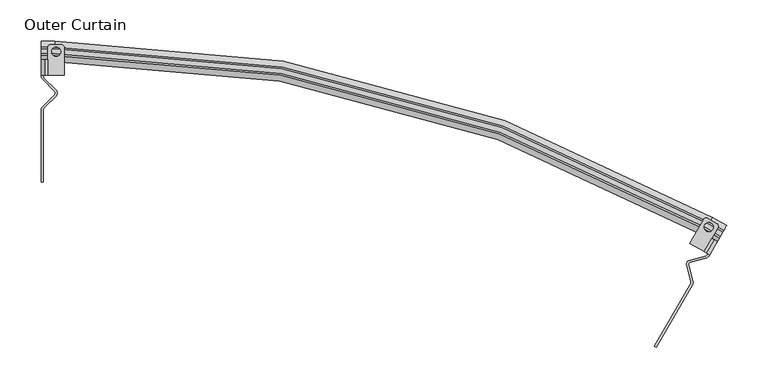
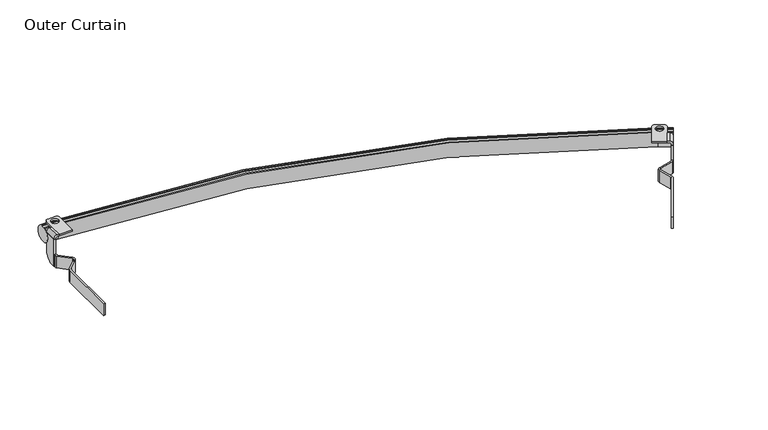
"""IFC4 building model written with IfcOpenShell, lengths in millimetres: furniture geometry, Outer Curtain."""

from ifc_helpers import new_model, si_unit, point, frame, frame_2d, origin, place, context, project, spatial, polyline, circle_curve, ellipse_curve, trimmed, segment, composite_curve, outline, extrude, source, transform, mapped, element, save
from ifc_brep_helpers import plane_surface, cylinder_surface, revolved_surface, advanced_brep


def outer_curtain_65f9b2bc(model_context):
    return source(origin(), model_context, "Body", "SolidModel", [
        extrude(outline(composite_curve([segment(polyline([(340.8986475, 0.0), (340.8986475, -5.5297915)]), True, "CONTINUOUS"), segment(trimmed(circle_curve(frame_2d((327.6985931, -5.5297915)), 13.2000544), [point((340.8986475, -5.5297915))], [point((327.6985931, -18.7298459))], False, "CARTESIAN"), True, "CONTINUOUS"), segment(polyline([(327.6985931, -18.7298459), (314.449003, -18.7298459)]), True, "CONTINUOUS"), segment(trimmed(circle_curve(frame_2d((306.6253516, -28.3883996)), 12.4296895), [point((314.449003, -18.7298459))], [point((298.6840186, -18.8263699))], True, "CARTESIAN"), True, "CONTINUOUS"), segment(polyline([(298.6840186, -18.8263699), (298.6840186, 0.0), (340.8986475, 0.0)]), True, "CONTINUOUS")], self_intersect=False)), frame((808.1824004, 201.2243016, 2438.4), z_axis=(-0.8660254041587455, 0.49999999935168166, 0.0), x_axis=(0.0, 0.0, -1.0)), (0.0, 0.0, 1.0), 2.45),
        extrude(outline(composite_curve([segment(trimmed(circle_curve(frame_2d((780.5221736, 168.2153832)), 5.0), [point((784.8523006, 165.7153832))], [point((785.3486237, 169.5212849))], True, "CARTESIAN"), True, "CONTINUOUS"), segment(polyline([(785.3486237, 169.5212849), (780.2499341, 188.3654079)]), True, "CONTINUOUS"), segment(trimmed(circle_curve(frame_2d((785.0763843, 189.6713096)), 5.0), [point((780.2499341, 188.3654079))], [point((783.7705027, 194.4977651))], False, "CARTESIAN"), True, "CONTINUOUS"), segment(polyline([(783.7705027, 194.4977651), (803.7503841, 199.9036698)]), True, "CONTINUOUS"), segment(trimmed(circle_curve(frame_2d((803.0974433, 202.3168976)), 2.5), [point((803.7503841, 199.9036698))], [point((805.2625069, 201.0668976))], True, "CARTESIAN"), True, "CONTINUOUS"), segment(polyline([(805.2625069, 201.0668976), (806.0606382, 202.4493016), (808.1824004, 201.2243016), (807.3945887, 199.8597717)]), True, "CONTINUOUS"), segment(trimmed(circle_curve(frame_2d((803.0644617, 202.3597717)), 5.0), [point((807.3945887, 199.8597717))], [point((804.3703432, 197.5333161))], False, "CARTESIAN"), True, "CONTINUOUS"), segment(polyline([(804.3703432, 197.5333161), (784.3621199, 192.119743)]), True, "CONTINUOUS"), segment(trimmed(circle_curve(frame_2d((785.0150607, 189.7065152)), 2.5), [point((784.3621199, 192.119743))], [point((782.6018356, 189.0535644))], True, "CARTESIAN"), True, "CONTINUOUS"), segment(polyline([(782.6018356, 189.0535644), (787.9795532, 169.1781885)]), True, "CONTINUOUS"), segment(trimmed(circle_curve(frame_2d((783.1531031, 167.8722868)), 5.0), [point((787.9795532, 169.1781885))], [point((787.4832301, 165.3722868))], False, "CARTESIAN"), True, "CONTINUOUS"), segment(polyline([(787.4832301, 165.3722868), (743.4550059, 89.1131655), (741.3332437, 90.3381655), (784.8523006, 165.7153832)]), True, "CONTINUOUS")], self_intersect=False)), frame((0.0, 0.0, 2097.5013525), z_axis=(0.0, 0.0, 1.0), x_axis=(1.0, 0.0, 0.0)), (0.0, 0.0, 1.0), 18.8933106),
        extrude(outline(composite_curve([segment(polyline([(2.45, 0.0), (2.45, -1.5759522)]), True, "CONTINUOUS"), segment(trimmed(circle_curve(frame_2d((-2.2594196, -1.5759522)), 4.7094196), [point((2.45, -1.5759522))], [point((-2.2594196, -6.2853718))], False, "CARTESIAN"), True, "CONTINUOUS"), segment(polyline([(-2.2594196, -6.2853718), (-5.3457178, -6.2853718), (-5.3457178, -3.8354214), (-2.7023301, -3.8354214)]), True, "CONTINUOUS"), segment(trimmed(circle_curve(frame_2d((-2.7023301, -1.1330913)), 2.7023301), [point((-2.7023301, -3.8354214))], [point((0.0, -1.1330913))], True, "CARTESIAN"), True, "CONTINUOUS"), segment(polyline([(0.0, -1.1330913), (0.0, 0.0), (2.45, 0.0)]), True, "CONTINUOUS")], self_intersect=False)), frame((806.0606382, 202.4493016, 2139.7159814), z_axis=(0.4999999993516811, 0.8660254041587457, 0.0), x_axis=(0.8660254041587457, -0.4999999993516811, 0.0)), (0.0, 0.0, 1.0), 18.7298458),
        extrude(outline(composite_curve([segment(polyline([(801.4311108, 205.1221605), (784.1106027, 215.1221605), (800.7342244, 243.915118)]), True, "CONTINUOUS"), segment(trimmed(circle_curve(frame_2d((803.9842234, 242.0387302)), 3.7527756), [point((800.7342244, 243.915118))], [point((805.8502397, 245.2946951))], False, "CARTESIAN"), True, "CONTINUOUS"), segment(polyline([(805.8502397, 245.2946951), (816.3907074, 239.2091533)]), True, "CONTINUOUS"), segment(trimmed(circle_curve(frame_2d((814.816152, 235.8057322)), 3.75), [point((816.3907074, 239.2091533))], [point((818.0637473, 233.9307322))], False, "CARTESIAN"), True, "CONTINUOUS"), segment(polyline([(818.0637473, 233.9307322), (801.4311108, 205.1221605)]), True, "CONTINUOUS")], self_intersect=False), holes=[composite_curve([segment(trimmed(circle_curve(frame_2d((807.0144732, 234.7928281)), 5.4886758), [point((811.7678059, 232.0484902))], [point((802.2611405, 237.537166))], True, "CARTESIAN"), True, "CONTINUOUS"), segment(trimmed(circle_curve(frame_2d((807.0144732, 234.7928281)), 5.4886758), [point((802.2611405, 237.537166))], [point((811.7678059, 232.0484902))], True, "CARTESIAN"), True, "CONTINUOUS")], self_intersect=False)]), frame((0.0, 0.0, 2143.5514028), z_axis=(0.0, 0.0, 1.0), x_axis=(1.0, 0.0, 0.0)), (0.0, 0.0, 1.0), 2.4499504),
        advanced_brep(
        [(0.0, 442.4224847, 2120.279958), (0.0, 442.4224847, 2143.2693388), (0.0, 444.4967404, 2143.2693388), (0.0, 444.4967404, 2141.8304958), (0.0, 450.509432, 2141.8304958), (0.0, 450.509432, 2143.2693388), (0.0, 452.5106226, 2143.2693388), (0.0, 452.5106226, 2120.279958), (16.273869, 442.4224847, 2120.279958), (16.273869, 442.4224847, 2143.2693388), (802.8348362, 231.6641087, 2143.2693388), (820.0263326, 221.7385937, 2143.2693388), (821.0634604, 223.5349518, 2143.2693388), (803.871964, 233.4604668, 2143.2693388), (16.273869, 444.4967404, 2143.2693388), (16.273869, 444.4967404, 2141.8304958), (803.871964, 233.4604668, 2141.8304958), (821.0634604, 223.5349518, 2141.8304958), (824.0698063, 228.7420955, 2141.8304958), (806.8783099, 238.6676106, 2141.8304958), (16.273869, 450.509432, 2141.8304958), (16.273869, 450.509432, 2143.2693388), (806.8783099, 238.6676106, 2143.2693388), (824.0698063, 228.7420955, 2143.2693388), (825.0704015, 230.4751773, 2143.2693388), (807.8789051, 240.4006924, 2143.2693388), (16.273869, 452.5106226, 2143.2693388), (16.273869, 452.5106226, 2120.279958), (807.8789051, 240.4006924, 2120.279958), (825.0704015, 230.4751773, 2120.279958), (820.0263326, 221.7385937, 2120.279958), (802.8348362, 231.6641087, 2120.279958)],
        [
            (0, 1, circle_curve(frame((0.0, 447.9278494, 2131.7746484), z_axis=(-1.0, 0.0, 0.0), x_axis=(0.0, -1.0, 0.0)), 12.7450754)),
            (1, 2),
            (2, 3),
            (3, 4),
            (4, 5),
            (5, 6),
            (6, 7, circle_curve(frame((0.0, 447.1329645, 2131.7746484), z_axis=(-1.0, 0.0, 0.0), x_axis=(0.0, -1.0, 0.0)), 12.6904339)),
            (7, 0),
            (0, 8),
            (8, 9, circle_curve(frame((16.273869, 447.9278494, 2131.7746484), z_axis=(-1.0, 0.0, 0.0), x_axis=(0.0, -1.0, 0.0)), 12.7450754)),
            (9, 1),
            (9, 10, circle_curve(frame((16.273869, -1130.6994497, 2143.2693388), z_axis=(0.0, 0.0, -1.0), x_axis=(0.0, 1.0, 0.0)), 1573.1219344)),
            (10, 11),
            (11, 12),
            (12, 13),
            (13, 14, circle_curve(frame((16.273869, -1130.6994497, 2143.2693388), z_axis=(0.0, 0.0, 1.0), x_axis=(0.0, 1.0, 0.0)), 1575.1961901)),
            (14, 2),
            (14, 15),
            (15, 3),
            (15, 16, circle_curve(frame((16.273869, -1130.6994497, 2141.8304958), z_axis=(0.0, 0.0, -1.0), x_axis=(0.0, 1.0, 0.0)), 1575.1961901)),
            (16, 17),
            (17, 18),
            (18, 19),
            (19, 20, circle_curve(frame((16.273869, -1130.6994497, 2141.8304958), z_axis=(0.0, 0.0, 1.0), x_axis=(0.0, 1.0, 0.0)), 1581.2088818)),
            (20, 4),
            (20, 21),
            (21, 5),
            (21, 22, circle_curve(frame((16.273869, -1130.6994497, 2143.2693388), z_axis=(0.0, 0.0, -1.0), x_axis=(0.0, 1.0, 0.0)), 1581.2088818)),
            (22, 23),
            (23, 24),
            (24, 25),
            (25, 26, circle_curve(frame((16.273869, -1130.6994497, 2143.2693388), z_axis=(0.0, 0.0, 1.0), x_axis=(0.0, 1.0, 0.0)), 1583.2100723)),
            (26, 6),
            (26, 27, circle_curve(frame((16.273869, 447.1329645, 2131.7746484), z_axis=(-1.0, 0.0, 0.0), x_axis=(0.0, -1.0, 0.0)), 12.6904339)),
            (27, 7),
            (27, 28, circle_curve(frame((16.273869, -1130.6994497, 2120.279958), z_axis=(0.0, 0.0, -1.0), x_axis=(0.0, 1.0, 0.0)), 1583.2100723)),
            (28, 29),
            (29, 30),
            (30, 31),
            (31, 8, circle_curve(frame((16.273869, -1130.6994497, 2120.279958), z_axis=(0.0, 0.0, 1.0), x_axis=(0.0, 1.0, 0.0)), 1573.1219344)),
            (31, 10, circle_curve(frame((805.5875185, 236.4318944, 2131.7746484), z_axis=(-0.8660254037844397, 0.4999999999999981, 0.0), x_axis=(-0.4999999999999981, -0.8660254037844397, 0.0)), 12.7450754)),
            (13, 16),
            (19, 22),
            (25, 28, circle_curve(frame((805.1900761, 235.7435039, 2131.7746484), z_axis=(-0.8660254037844397, 0.4999999999999981, 0.0), x_axis=(-0.4999999999999981, -0.8660254037844397, 0.0)), 12.6904339)),
            (29, 24, circle_curve(frame((822.3815725, 225.8179888, 2131.7746484), z_axis=(0.8660254037844363, -0.5000000000000042, 0.0), x_axis=(-0.5000000000000042, -0.8660254037844363, 0.0)), 12.6904339)),
            (23, 18),
            (17, 12),
            (11, 30, circle_curve(frame((822.7790149, 226.5063793, 2131.7746484), z_axis=(0.8660254037844363, -0.5000000000000042, 0.0), x_axis=(-0.5000000000000042, -0.8660254037844363, 0.0)), 12.7450754)),
        ],
        [
            plane_surface(frame((0.0, 447.5030862, 0.0), z_axis=(-1.0, 0.0, 0.0), x_axis=(0.0, 0.0, 1.0))),
            cylinder_surface(frame((0.0, 447.9278494, 2131.7746484), z_axis=(-1.0, 0.0, 0.0), x_axis=(0.0, -1.0, 0.0)), 12.7450754),
            plane_surface(frame((0.0, 442.4224847, 2143.2693388), z_axis=(0.0, 0.0, 1.0), x_axis=(1.0, 0.0, 0.0))),
            plane_surface(frame((0.0, 444.4967404, 2143.2693388), z_axis=(0.0, 1.0, 0.0), x_axis=(1.0, 0.0, 0.0))),
            plane_surface(frame((0.0, 444.4967404, 2141.8304958), z_axis=(0.0, 0.0, 1.0), x_axis=(1.0, 0.0, 0.0))),
            plane_surface(frame((0.0, 450.509432, 2141.8304958), z_axis=(0.0, -1.0, 0.0), x_axis=(1.0, 0.0, 0.0))),
            plane_surface(frame((0.0, 450.509432, 2143.2693388), z_axis=(0.0, 0.0, 1.0), x_axis=(1.0, 0.0, 0.0))),
            cylinder_surface(frame((0.0, 447.1329645, 2131.7746484), z_axis=(-1.0, 0.0, 0.0), x_axis=(0.0, -1.0, 0.0)), 12.6904339),
            plane_surface(frame((0.0, 452.5106226, 2120.279958), z_axis=(0.0, 0.0, -1.0), x_axis=(1.0, 0.0, 0.0))),
            revolved_surface(trimmed(ellipse_curve(frame((16.273869, 447.9278494, 2131.7746484), z_axis=(-1.0, 0.0, 0.0), x_axis=(0.0, -1.0, 0.0)), 12.7450754, 12.7450754), [point((16.273869, 442.4224847, 2120.279958))], [point((16.273869, 442.4224847, 2143.2693388))], True, "CARTESIAN"), (16.273869, -1130.6994497, 0.0), (0.0, 0.0, -1.0)),
            cylinder_surface(frame((16.273869, -1130.6994497, 0.0), z_axis=(0.0, 0.0, -1.0), x_axis=(0.0, 1.0, 0.0)), 1575.1961901),
            revolved_surface(polyline([(16.273869, 450.5094320999999, 2141.8304958), (16.273869, 450.5094320999999, 2143.2693388)]), (16.273869, -1130.6994497, 0.0), (0.0, 0.0, -1.0)),
            revolved_surface(trimmed(ellipse_curve(frame((16.273869, 447.1329645, 2131.7746484), z_axis=(-1.0, 0.0, 0.0), x_axis=(0.0, -1.0, 0.0)), 12.6904339, 12.6904339), [point((16.273869, 452.5106226, 2143.2693388))], [point((16.273869, 452.5106226, 2120.279958))], True, "CARTESIAN"), (16.273869, -1130.6994497, 0.0), (0.0, 0.0, -1.0)),
            plane_surface(frame((822.5666333, 226.1385236, 0.0), z_axis=(0.8660254037844365, -0.5000000000000038, 0.0), x_axis=(0.0, 0.0, 1.0))),
            cylinder_surface(frame((805.5875185, 236.4318944, 2131.7746484), z_axis=(-0.8660254037844363, 0.5000000000000042, 0.0), x_axis=(-0.5000000000000042, -0.8660254037844363, 0.0)), 12.7450754),
            plane_surface(frame((803.871964, 233.4604668, 2143.2693388), z_axis=(0.5000000000000122, 0.8660254037844317, 0.0), x_axis=(0.8660254037844317, -0.5000000000000122, 0.0))),
            plane_surface(frame((806.8783099, 238.6676106, 2141.8304958), z_axis=(-0.49999999999999906, -0.8660254037844393, 0.0), x_axis=(0.8660254037844393, -0.49999999999999906, 0.0))),
            cylinder_surface(frame((805.1900761, 235.7435039, 2131.7746484), z_axis=(-0.8660254037844363, 0.5000000000000042, 0.0), x_axis=(-0.5000000000000042, -0.8660254037844363, 0.0)), 12.6904339),
        ],
        [
            (0, [[1, 2, 3, 4, 5, 6, 7, 8]]),
            (1, [[-1, 9, 10, 11]]),
            (2, [[-2, -11, 12, 13, 14, 15, 16, 17]]),
            (3, [[-3, -17, 18, 19]]),
            (4, [[-4, -19, 20, 21, 22, 23, 24, 25]]),
            (5, [[-5, -25, 26, 27]]),
            (6, [[-6, -27, 28, 29, 30, 31, 32, 33]]),
            (7, [[-7, -33, 34, 35]]),
            (8, [[-8, -35, 36, 37, 38, 39, 40, -9]]),
            (9, [[-12, -10, -40, 41]]),
            (10, [[-20, -18, -16, 42]]),
            (11, [[-28, -26, -24, 43]]),
            (12, [[-36, -34, -32, 44]]),
            (13, [[-38, 45, -30, 46, -22, 47, -14, 48]]),
            (14, [[-41, -39, -48, -13]]),
            (15, [[-42, -15, -47, -21]]),
            (16, [[-43, -23, -46, -29]]),
            (17, [[-44, -31, -45, -37]]),
        ],
    ),
        extrude(outline(composite_curve([segment(polyline([(418.7637019, 2097.5013525), (418.7637019, 2139.7159814), (437.5900717, 2139.7159814)]), True, "CONTINUOUS"), segment(trimmed(circle_curve(frame_2d((447.1521014, 2131.7746484)), 12.4296895), [point((437.5900717, 2139.7159814))], [point((437.4935477, 2123.950997))], True, "CARTESIAN"), True, "CONTINUOUS"), segment(polyline([(437.4935477, 2123.950997), (437.4935477, 2110.7014069)]), True, "CONTINUOUS"), segment(trimmed(circle_curve(frame_2d((424.2934933, 2110.7014069)), 13.2000544), [point((437.4935477, 2110.7014069))], [point((424.2934933, 2097.5013525))], False, "CARTESIAN"), True, "CONTINUOUS"), segment(polyline([(424.2934933, 2097.5013525), (418.7637019, 2097.5013525)]), True, "CONTINUOUS")], self_intersect=False)), frame((0.0, 0.0, 0.0), z_axis=(1.0, 0.0, 0.0), x_axis=(0.0, 1.0, 0.0)), (0.0, 0.0, 1.0), 2.45),
        extrude(outline(composite_curve([segment(polyline([(2.45, 376.3470266), (2.45, 289.3089127), (0.0, 289.3089127), (0.0, 377.3653611)]), True, "CONTINUOUS"), segment(trimmed(circle_curve(frame_2d((5.0, 377.3653611)), 5.0), [point((0.0, 377.3653611))], [point((1.4731224, 380.9095302))], False, "CARTESIAN"), True, "CONTINUOUS"), segment(polyline([(1.4731224, 380.9095302), (16.0680504, 395.4332519)]), True, "CONTINUOUS"), segment(trimmed(circle_curve(frame_2d((14.3046116, 397.2053364)), 2.5), [point((16.0680504, 395.4332519))], [point((16.0766888, 398.9687826))], True, "CARTESIAN"), True, "CONTINUOUS"), segment(polyline([(16.0766888, 398.9687826), (1.4558456, 413.661186)]), True, "CONTINUOUS"), segment(trimmed(circle_curve(frame_2d((5.0, 417.1880784)), 5.0), [point((1.4558456, 413.661186))], [point((0.0, 417.1880784))], False, "CARTESIAN"), True, "CONTINUOUS"), segment(polyline([(0.0, 417.1880784), (0.0, 418.7637019), (2.45, 418.7637019), (2.45, 417.1674392)]), True, "CONTINUOUS"), segment(trimmed(circle_curve(frame_2d((4.95, 417.1674392)), 2.5), [point((2.45, 417.1674392))], [point((3.1779228, 415.403993))], True, "CARTESIAN"), True, "CONTINUOUS"), segment(polyline([(3.1779228, 415.403993), (17.7780554, 400.7324015)]), True, "CONTINUOUS"), segment(trimmed(circle_curve(frame_2d((14.233901, 397.2055092)), 5.0), [point((17.7780554, 400.7324015))], [point((17.7607786, 393.6613401))], False, "CARTESIAN"), True, "CONTINUOUS"), segment(polyline([(17.7607786, 393.6613401), (3.9231224, 379.8911956)]), True, "CONTINUOUS"), segment(trimmed(circle_curve(frame_2d((7.45, 376.3470266)), 5.0), [point((3.9231224, 379.8911956))], [point((2.45, 376.3470266))], True, "CARTESIAN"), True, "CONTINUOUS")], self_intersect=False)), frame((0.0, 0.0, 2097.5013525), z_axis=(0.0, 0.0, 1.0), x_axis=(1.0, 0.0, 0.0)), (0.0, 0.0, 1.0), 18.8933106),
        extrude(outline(composite_curve([segment(polyline([(2139.7159814, 0.0), (2139.7159814, 2.45), (2140.8490727, 2.45)]), True, "CONTINUOUS"), segment(trimmed(circle_curve(frame_2d((2140.8490727, 5.1523301)), 2.7023301), [point((2140.8490727, 2.45))], [point((2143.5514028, 5.1523301))], True, "CARTESIAN"), True, "CONTINUOUS"), segment(polyline([(2143.5514028, 5.1523301), (2143.5514028, 7.7957178), (2146.0013532, 7.7957178), (2146.0013532, 4.7094196)]), True, "CONTINUOUS"), segment(trimmed(circle_curve(frame_2d((2141.2919336, 4.7094196)), 4.7094196), [point((2146.0013532, 4.7094196))], [point((2141.2919336, 0.0))], False, "CARTESIAN"), True, "CONTINUOUS"), segment(polyline([(2141.2919336, 0.0), (2139.7159814, 0.0)]), True, "CONTINUOUS")], self_intersect=False)), frame((0.0, 418.7637019, 0.0), z_axis=(0.0, 1.0, 0.0), x_axis=(0.0, 0.0, 1.0)), (0.0, 0.0, 1.0), 18.7298458),
        extrude(outline(composite_curve([segment(polyline([(7.7957178, 418.7637019), (7.7957178, 452.0289751)]), True, "CONTINUOUS"), segment(trimmed(circle_curve(frame_2d((11.5457178, 452.0289751)), 3.75), [point((7.7957178, 452.0289751))], [point((11.8838235, 455.7637019))], False, "CARTESIAN"), True, "CONTINUOUS"), segment(polyline([(11.8838235, 455.7637019), (24.0549072, 455.7637019)]), True, "CONTINUOUS"), segment(trimmed(circle_curve(frame_2d((24.0429423, 452.0109454)), 3.7527756), [point((24.0549072, 455.7637019))], [point((27.7957178, 452.0109454))], False, "CARTESIAN"), True, "CONTINUOUS"), segment(polyline([(27.7957178, 452.0109454), (27.7957178, 418.7637019), (7.7957178, 418.7637019)]), True, "CONTINUOUS")], self_intersect=False), holes=[composite_curve([segment(trimmed(circle_curve(frame_2d((17.7957178, 447.250935)), 5.4886758), [point((12.307042, 447.250935))], [point((23.2843937, 447.250935))], True, "CARTESIAN"), True, "CONTINUOUS"), segment(trimmed(circle_curve(frame_2d((17.7957178, 447.250935)), 5.4886758), [point((23.2843937, 447.250935))], [point((12.307042, 447.250935))], True, "CARTESIAN"), True, "CONTINUOUS")], self_intersect=False)]), frame((0.0, 0.0, 2143.5514028), z_axis=(0.0, 0.0, 1.0), x_axis=(1.0, 0.0, 0.0)), (0.0, 0.0, 1.0), 2.4499504),
    ])


if __name__ == "__main__":
    model = new_model("IFC4")
    model_context = context("Model", 3, world=origin())
    ifc_project = project(units=[si_unit("LENGTHUNIT", "METRE", prefix="MILLI")], contexts=[model_context])
    site = spatial("IfcSite", under=ifc_project)
    building = spatial("IfcBuilding", under=site)
    placement = place(None, origin())
    outer_curtain_shape = outer_curtain_65f9b2bc(model_context)
    element("IfcFurniture", 1, ObjectType="Outer Curtain", at=placement, inside=building, context=model_context, shape_type="MappedRepresentation", body=[
        mapped(outer_curtain_shape, transform((0.0, 0.0, 0.0), x_axis=(1.0, 0.0, 0.0), y_axis=(0.0, 1.0, 0.0), z_axis=(0.0, 0.0, 1.0))),
    ])
    save(model, "model.ifc")
